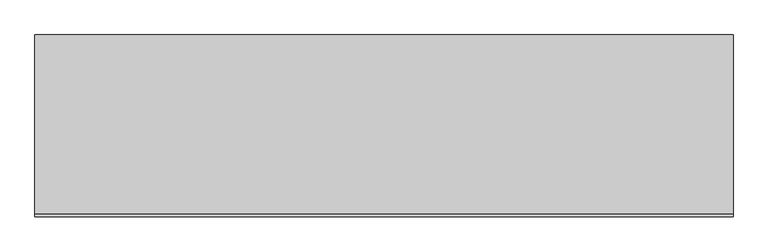
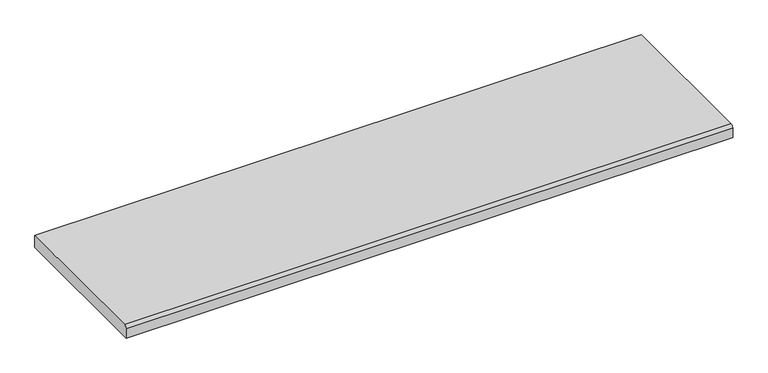
"""IFC4 building model written with IfcOpenShell, lengths in millimetres: furniture geometry."""

from ifc_helpers import new_model, si_unit, point, frame, frame_2d, origin, place, context, project, spatial, polyline, circle_curve, trimmed, segment, composite_curve, outline, extrude, source, transform, mapped, element, save


def furniture_c5c71aa5(model_context):
    return source(origin(), model_context, "Body", "SweptSolid", [
        extrude(outline(composite_curve([segment(polyline([(-162.941, 735.3935), (148.971, 735.3935), (148.971, 709.9935), (-168.529, 709.9935), (-168.529, 729.8055)]), True, "CONTINUOUS"), segment(trimmed(circle_curve(frame_2d((-162.941, 729.8055)), 5.588), [point((-168.529, 729.8055))], [point((-162.941, 735.3935))], False, "CARTESIAN"), True, "CONTINUOUS")], self_intersect=False)), frame((-609.6, 0.0, 0.0), z_axis=(1.0, 0.0, 0.0), x_axis=(0.0, 1.0, 0.0)), (0.0, 0.0, 1.0), 1219.2),
    ])


if __name__ == "__main__":
    model = new_model("IFC4")
    model_context = context("Model", 3, world=origin())
    ifc_project = project(units=[si_unit("LENGTHUNIT", "METRE", prefix="MILLI")], contexts=[model_context])
    site = spatial("IfcSite", under=ifc_project)
    building = spatial("IfcBuilding", under=site)
    placement = place(None, origin())
    furniture_shape = furniture_c5c71aa5(model_context)
    element("IfcFurniture", 1, at=placement, inside=building, context=model_context, shape_type="MappedRepresentation", body=[
        mapped(furniture_shape, transform((0.0, 0.0, 0.0), x_axis=(1.0, 0.0, 0.0), y_axis=(0.0, 1.0, 0.0), z_axis=(0.0, 0.0, 1.0))),
    ])
    save(model, "model.ifc")
